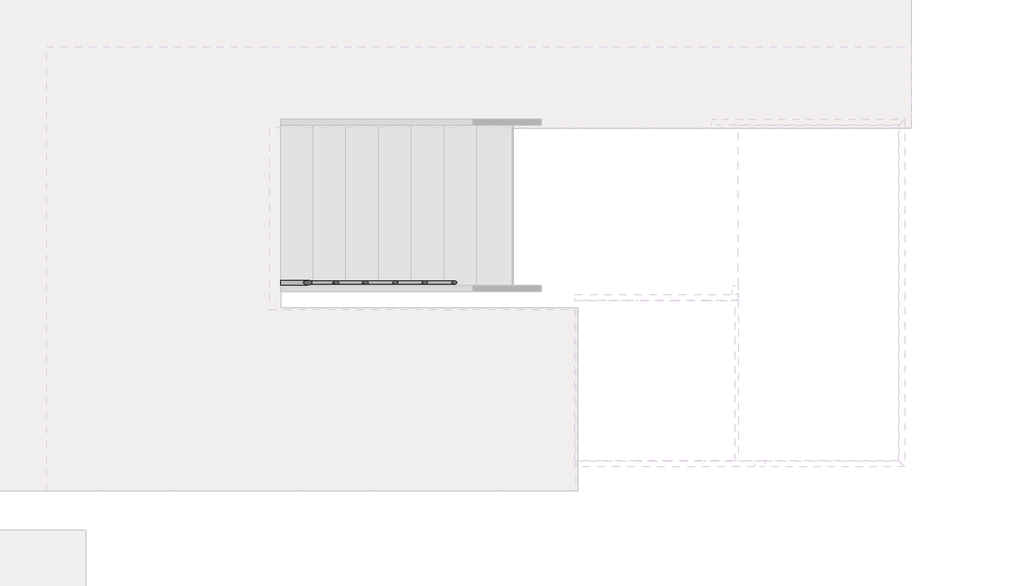
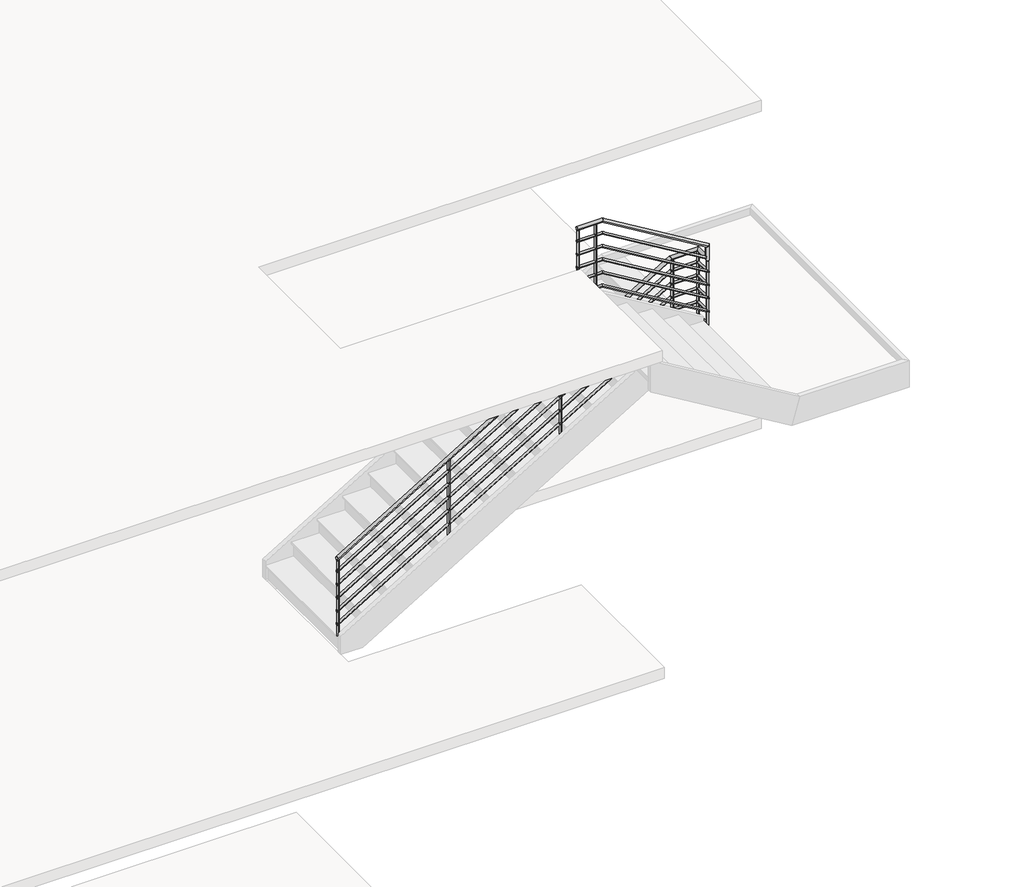
# One storey, part 34 of 38: 1 railing.
"""IFC4 building model written with IfcOpenShell, lengths in millimetres."""

import ifcopenshell
import ifcopenshell.guid

model = None  # the IFC model being written
_history = None  # IfcOwnerHistory: only IFC2X3 demands one
_inside = {}  # id of a spatial element -> (the spatial element, [elements in it])
_under = {}  # id of a project, library or spatial element -> (it, [spatial elements below it])
_declared = {}  # id of a project -> (the project, [libraries it declares])
_typed = {}  # id of a type object -> (the type object, [elements of that type])
_made_of = {}  # id of a material, layer set ... -> (it, [elements and type objects made of it])


def new_model(schema):
    """Start an empty IFC model of exactly this schema.

    Asked for "IFC4X3", IfcOpenShell would pick the latest addendum, in which some entities
    have other attributes; the version numbers below select the first issue.
    IFC2X3 requires an IfcOwnerHistory on every rooted entity: one is made here for all.
    """
    global model, _history
    if schema == "IFC4X3":
        model = ifcopenshell.file(schema_version=(4, 3, 0, 0))
    else:
        model = ifcopenshell.file(schema=schema)
    _inside.clear()
    _under.clear()
    _declared.clear()
    _typed.clear()
    _made_of.clear()
    _history = None
    if model.schema == "IFC2X3":
        org = make("IfcOrganization", Name="unknown")
        user = make(
            "IfcPersonAndOrganization",
            ThePerson=make("IfcPerson", FamilyName="unknown"),
            TheOrganization=org,
        )
        app = make(
            "IfcApplication",
            ApplicationDeveloper=org,
            Version="unknown",
            ApplicationFullName="unknown",
            ApplicationIdentifier="unknown",
        )
        _history = make(
            "IfcOwnerHistory",
            OwningUser=user,
            OwningApplication=app,
            ChangeAction="ADDED",
            CreationDate=0,
        )
    return model


def make(cls, **values):
    """One entity of the class cls with the attributes given. An attribute that is None is left unset."""
    return model.create_entity(
        cls, **{name: value for name, value in values.items() if value is not None}
    )


def rooted(cls, **values):
    """An entity with a GlobalId (a new one), such as an element, a storey or a relation."""
    return make(cls, GlobalId=ifcopenshell.guid.new(), OwnerHistory=_history, **values)


def si_unit(unit_type, name, prefix=None):
    """IfcSIUnit, for example si_unit("LENGTHUNIT", "METRE", prefix="MILLI")."""
    return make("IfcSIUnit", UnitType=unit_type, Prefix=prefix, Name=name)


def assignment(units):
    """IfcUnitAssignment: the units of a project."""
    return None if units is None else make("IfcUnitAssignment", Units=units)


def point(xyz):
    """IfcCartesianPoint."""
    return None if xyz is None else make("IfcCartesianPoint", Coordinates=xyz)


def direction(xyz):
    """IfcDirection."""
    return None if xyz is None else make("IfcDirection", DirectionRatios=xyz)


def frame(location, z_axis=None, x_axis=None):
    """IfcAxis2Placement3D, a coordinate frame: its origin and axes. An axis left out is left unset."""
    return make(
        "IfcAxis2Placement3D",
        Location=point(location),
        Axis=direction(z_axis),
        RefDirection=direction(x_axis),
    )


def frame_2d(location, x_axis=None):
    """IfcAxis2Placement2D, a coordinate frame in the plane: its origin and x axis."""
    return make(
        "IfcAxis2Placement2D", Location=point(location), RefDirection=direction(x_axis)
    )


def origin():
    """The frame at (0, 0, 0) with its axes left unset."""
    return frame((0.0, 0.0, 0.0))


def place(relative_to, where):
    """IfcLocalPlacement: puts the frame where relative to a parent placement (None: the world)."""
    return make(
        "IfcLocalPlacement", PlacementRelTo=relative_to, RelativePlacement=where
    )


def context(
    kind, dimensions, precision=None, world=None, true_north=None, identifier=None
):
    """IfcGeometricRepresentationContext, for example the 3D "Model" context."""
    return make(
        "IfcGeometricRepresentationContext",
        ContextIdentifier=identifier,
        ContextType=kind,
        CoordinateSpaceDimension=dimensions,
        Precision=precision,
        WorldCoordinateSystem=world,
        TrueNorth=true_north,
    )


def project(units=None, contexts=None):
    """IfcProject with its units and contexts."""
    return rooted(
        "IfcProject",
        Name="project",
        RepresentationContexts=contexts,
        UnitsInContext=assignment(units),
    )


def spatial(cls, under=None, at=None, **own):
    """A site, building, storey or space (cls), placed at a placement, below another one or the project."""
    s = rooted(cls, ObjectPlacement=at, **own)
    if under is not None:
        _under.setdefault(under.id(), (under, []))[1].append(s)
    return s


def circle_curve(where, radius):
    """IfcCircle in the frame where."""
    return make("IfcCircle", Position=where, Radius=radius)


def ellipse_curve(where, semi_axis1, semi_axis2):
    """IfcEllipse in the frame where."""
    return make(
        "IfcEllipse", Position=where, SemiAxis1=semi_axis1, SemiAxis2=semi_axis2
    )


def trimmed(basis, trim1, trim2, sense, master):
    """IfcTrimmedCurve: the piece of a basis curve between two trims."""
    return make(
        "IfcTrimmedCurve",
        BasisCurve=basis,
        Trim1=trim1,
        Trim2=trim2,
        SenseAgreement=sense,
        MasterRepresentation=master,
    )


def segment(curve, same_sense, transition):
    """IfcCompositeCurveSegment."""
    return make(
        "IfcCompositeCurveSegment",
        Transition=transition,
        SameSense=same_sense,
        ParentCurve=curve,
    )


def composite_curve(segments, self_intersect=None):
    """IfcCompositeCurve: segments joined end to end."""
    return make("IfcCompositeCurve", Segments=segments, SelfIntersect=self_intersect)


def outline(outer, holes=None, kind="AREA"):
    """IfcArbitraryClosedProfileDef: a profile drawn as a closed curve; with holes, ...WithVoids."""
    if holes is None:
        return make("IfcArbitraryClosedProfileDef", ProfileType=kind, OuterCurve=outer)
    return make(
        "IfcArbitraryProfileDefWithVoids",
        ProfileType=kind,
        OuterCurve=outer,
        InnerCurves=holes,
    )


def extrude(swept, where, along, depth):
    """IfcExtrudedAreaSolid: the profile swept, set in the frame where, extruded along a direction by depth."""
    return make(
        "IfcExtrudedAreaSolid",
        SweptArea=swept,
        Position=where,
        ExtrudedDirection=direction(along),
        Depth=depth,
    )


def shape(context_of_items, identifier, shape_type, items):
    """IfcShapeRepresentation: the items that make up one representation, for example the "Body"."""
    return make(
        "IfcShapeRepresentation",
        ContextOfItems=context_of_items,
        RepresentationIdentifier=identifier,
        RepresentationType=shape_type,
        Items=items,
    )


def made_of(thing, what):
    """Note that an element or type object is made of a material, layer set ...; save() writes the relation."""
    if what is not None:
        _made_of.setdefault(what.id(), (what, []))[1].append(thing)
    return thing


def element(
    cls,
    number,
    at=None,
    inside=None,
    cuts=None,
    type_object=None,
    material=None,
    context=None,
    identifier="Body",
    shape_type=None,
    held_by="IfcProductDefinitionShape",
    body=None,
    shapes=None,
    **own,
):
    """One element of the class cls, such as IfcWall. Its Tag is "e" and its number.

    at: its placement. inside: the storey or other place that contains it. cuts: it is an
    opening in that element (IfcRelVoidsElement). A single representation is given by context,
    identifier, shape_type and body (its items); several are given by shapes. held_by: the class
    of the entity that holds the representations. save() writes the other relations.
    """
    e = rooted(cls, Tag="e%d" % number, ObjectPlacement=at, **own)
    if body is not None:
        shapes = [shape(context, identifier, shape_type, body)]
    if shapes is not None:
        e.Representation = make(held_by, Representations=shapes)
    if inside is not None:
        _inside.setdefault(inside.id(), (inside, []))[1].append(e)
    if cuts is not None:
        rooted(
            "IfcRelVoidsElement", RelatingBuildingElement=cuts, RelatedOpeningElement=e
        )
    if type_object is not None:
        _typed.setdefault(type_object.id(), (type_object, []))[1].append(e)
    return made_of(e, material)


def aggregate(whole, parts):
    """IfcRelAggregates: a whole, such as a stair, and the parts it consists of."""
    return rooted("IfcRelAggregates", RelatingObject=whole, RelatedObjects=parts)


def save(model, path):
    """Write the relations noted so far, then the file.

    IfcRelAggregates (storeys below a building ...), IfcRelContainedInSpatialStructure (elements
    in a storey), IfcRelDefinesByType, IfcRelAssociatesMaterial and IfcRelDeclares: one each for
    every whole, place, type object, material and project.
    """
    for whole, parts in _under.values():
        aggregate(whole, parts)
    for where, things in _inside.values():
        rooted(
            "IfcRelContainedInSpatialStructure",
            RelatedElements=things,
            RelatingStructure=where,
        )
    for kind, things in _typed.values():
        rooted("IfcRelDefinesByType", RelatedObjects=things, RelatingType=kind)
    for what, things in _made_of.values():
        rooted("IfcRelAssociatesMaterial", RelatedObjects=things, RelatingMaterial=what)
    for by, libraries in _declared.values():
        rooted("IfcRelDeclares", RelatingContext=by, RelatedDefinitions=libraries)
    model.write(path)


def plane_surface(at):
    """IfcPlane: the flat surface through the origin of the frame at, square to its z axis."""
    return make("IfcPlane", Position=at)


def cylinder_surface(at, radius):
    """IfcCylindricalSurface: all points at the distance radius from the z axis of the frame at."""
    return make("IfcCylindricalSurface", Position=at, Radius=radius)


def advanced_brep(points, edges, surfaces, faces):
    """IfcAdvancedBrep: a solid bounded by faces that lie on surfaces and meet in shared edges.

    An edge is (start, end): straight between two places in points (the first is 0);
    or (start, end, curve); or (start, end, curve, False) where it runs against its curve.
    A face is (place in surfaces, loops), or (place, loops, False) where it looks against
    its surface's normal. A loop lists edges by number (the first is 1), with a minus sign
    where the edge is run from its end to its start. The first loop is the outer one.
    """
    corners = [point(p) for p in points]
    vertices = [make("IfcVertexPoint", VertexGeometry=c) for c in corners]
    made = []
    for start, end, *more in edges:
        made.append(
            make(
                "IfcEdgeCurve",
                EdgeStart=vertices[start],
                EdgeEnd=vertices[end],
                EdgeGeometry=more[0] if more else make("IfcPolyline", Points=[corners[start], corners[end]]),
                SameSense=more[1] if len(more) > 1 else True,
            )
        )
    hull = []
    for where, loops, *sense in faces:
        bounds = []
        for j, loop in enumerate(loops):
            ring = [make("IfcOrientedEdge", EdgeElement=made[abs(k) - 1], Orientation=k > 0) for k in loop]
            bounds.append(
                make(
                    "IfcFaceOuterBound" if j == 0 else "IfcFaceBound",
                    Bound=make("IfcEdgeLoop", EdgeList=ring),
                    Orientation=True,
                )
            )
        hull.append(make("IfcAdvancedFace", Bounds=bounds, FaceSurface=surfaces[where], SameSense=sense[0] if sense else True))
    return make("IfcAdvancedBrep", Outer=make("IfcClosedShell", CfsFaces=hull))


model = new_model("IFC4")

# Units and contexts
model_context = context("Model", 3, world=origin())
ifc_project = project(units=[si_unit("LENGTHUNIT", "METRE", prefix="MILLI")], contexts=[model_context])

# Site, building, storey
site = spatial("IfcSite", under=ifc_project)
building = spatial("IfcBuilding", under=site)
storey = spatial("IfcBuildingStorey", under=building, Elevation=0.0)

# Railing
placement = place(None, origin())
element("IfcRailing", 1, ObjectType="Handrail - Pipe", at=placement, inside=storey, context=model_context, shape_type="SolidModel", body=[
    advanced_brep(
    [(-323615.1918555, 138248.0850981, 1060.5979919), (-323615.1918555, 138286.1850981, 1060.5979919), (-319977.6936833, 138248.0850981, 3253.5394737), (-319977.6936833, 138286.1850981, 3253.5394737), (-319697.2418555, 138248.0850981, 3253.5394737), (-319659.1418555, 138286.1850981, 3253.5394737), (-319697.2418555, 138089.3350981, 3253.5394737), (-319659.1418555, 138089.3350981, 3253.5394737)],
    [
        (0, 1, ellipse_curve(frame((-323615.1918555, 138267.1350981, 1060.5979919), z_axis=(-1.0, 0.0, 0.0), x_axis=(0.0, 0.0, -1.0)), 22.2441134, 19.05)),
        (1, 0, ellipse_curve(frame((-323615.1918555, 138267.1350981, 1060.5979919), z_axis=(-1.0, 0.0, 0.0), x_axis=(0.0, 0.0, -1.0)), 22.2441134, 19.05)),
        (0, 2),
        (2, 3, ellipse_curve(frame((-319977.6936833, 138267.1350981, 3253.5394737), z_axis=(-0.963433015631658, 0.0, -0.267949294439992), x_axis=(0.267949294439992, 0.0, -0.963433015631658)), 19.7730405, 19.05)),
        (3, 1),
        (3, 2, ellipse_curve(frame((-319977.6936833, 138267.1350981, 3253.5394737), z_axis=(-0.963433015631658, 0.0, -0.267949294439992), x_axis=(0.267949294439992, 0.0, -0.963433015631658)), 19.7730405, 19.05)),
        (2, 4),
        (4, 5, ellipse_curve(frame((-319678.1918555, 138267.1350981, 3253.5394737), z_axis=(-0.7071067811867404, 0.7071067811863545, 0.0), x_axis=(-0.7071067811863547, -0.7071067811867404, 0.0)), 26.9407684, 19.05)),
        (5, 3),
        (5, 4, ellipse_curve(frame((-319678.1918555, 138267.1350981, 3253.5394737), z_axis=(-0.7071067811867404, 0.7071067811863545, 0.0), x_axis=(-0.7071067811863547, -0.7071067811867404, 0.0)), 26.9407684, 19.05)),
        (6, 7, ellipse_curve(frame((-319678.1918555, 138089.3350981, 3253.5394737), z_axis=(0.0, -0.7071067811865476, 0.7071067811865476), x_axis=(0.0, 0.7071067811865474, 0.7071067811865476)), 26.9407684, 19.05)),
        (7, 6, ellipse_curve(frame((-319678.1918555, 138089.3350981, 3253.5394737), z_axis=(0.0, -0.7071067811865476, 0.7071067811865476), x_axis=(0.0, 0.7071067811865474, 0.7071067811865476)), 26.9407684, 19.05)),
        (4, 6),
        (7, 5),
    ],
    [
        plane_surface(frame((-323615.1918555, 138267.1350981, 1082.8421053), z_axis=(-1.0, 0.0, 0.0), x_axis=(0.0, 1.0, 0.0))),
        cylinder_surface(frame((-323605.3562949, 138267.1350981, 1066.5275643), z_axis=(-0.856406351218221, 0.0, -0.516302393557393), x_axis=(0.0, 1.0, 0.0)), 19.05),
        cylinder_surface(frame((-319982.9918555, 138267.1350981, 3253.5394737), z_axis=(-1.0, 0.0, 0.0), x_axis=(0.0, 1.0, 0.0)), 19.05),
        plane_surface(frame((-319678.1918555, 138108.3850981, 3272.5894737), z_axis=(0.0, -0.7071067811865476, 0.7071067811865476), x_axis=(1.0, 0.0, 0.0))),
        cylinder_surface(frame((-319678.1918555, 138267.1350981, 3253.5394737), z_axis=(0.0, 1.0, 0.0), x_axis=(1.0, 0.0, 0.0)), 19.05),
    ],
    [
        (0, [[1, 2]]),
        (1, [[-1, 3, 4, 5]]),
        (1, [[-2, -5, 6, -3]]),
        (2, [[-4, 7, 8, 9]]),
        (2, [[-6, -9, 10, -7]]),
        (3, [[11, 12]]),
        (4, [[-8, 13, -12, 14]]),
        (4, [[-10, -14, -11, -13]]),
    ],
),
    advanced_brep(
    [(-319697.2418555, 138089.3350981, 3253.5394737), (-319659.1418555, 138089.3350981, 3253.5394737), (-319697.2418555, 138089.3350981, 3392.7151225), (-319659.1418555, 138089.3350981, 3414.2339713)],
    [
        (0, 1, ellipse_curve(frame((-319678.1918555, 138089.3350981, 3253.5394737), z_axis=(0.0, 0.7071067811865476, -0.7071067811865476), x_axis=(0.0, -0.7071067811865476, -0.7071067811865474)), 26.9407684, 19.05)),
        (1, 0, ellipse_curve(frame((-319678.1918555, 138089.3350981, 3253.5394737), z_axis=(0.0, 0.7071067811865476, -0.7071067811865476), x_axis=(0.0, -0.7071067811865476, -0.7071067811865474)), 26.9407684, 19.05)),
        (2, 3, ellipse_curve(frame((-319678.1918555, 138089.3350981, 3403.4745469), z_axis=(-0.491781255459484, 0.0, 0.870718781684818), x_axis=(-0.8707187816848179, 0.0, -0.4917812554594841)), 21.878476, 19.05)),
        (3, 2, ellipse_curve(frame((-319678.1918555, 138089.3350981, 3403.4745469), z_axis=(-0.491781255459484, 0.0, 0.870718781684818), x_axis=(-0.8707187816848179, 0.0, -0.4917812554594841)), 21.878476, 19.05)),
        (0, 2),
        (3, 1),
    ],
    [
        plane_surface(frame((-319678.1918555, 138089.3350981, 3253.5394737), z_axis=(0.0, 0.7071067811865476, -0.7071067811865476), x_axis=(1.0, 0.0, 0.0))),
        plane_surface(frame((-319678.1918555, 138089.3350981, 3403.4745469), z_axis=(-0.491781255459484, 0.0, 0.870718781684818), x_axis=(0.870718781684818, 0.0, 0.491781255459484))),
        cylinder_surface(frame((-319678.1918555, 138089.3350981, 3253.5394737), z_axis=(0.0, 0.0, -1.0), x_axis=(1.0, 0.0, 0.0)), 19.05),
    ],
    [
        (0, [[1, 2]]),
        (1, [[3, 4]]),
        (2, [[-1, 5, -4, 6]]),
        (2, [[-2, -6, -3, -5]]),
    ],
),
    advanced_brep(
    [(-319678.1918555, 138108.3850981, 3403.4745469), (-319678.1918555, 138070.2850981, 3403.4745469), (-320826.4900278, 138108.3850981, 4095.75), (-320826.4900278, 138070.2850981, 4095.75), (-321100.5918555, 138108.3850981, 4095.75), (-321100.5918555, 138070.2850981, 4095.75)],
    [
        (0, 1, ellipse_curve(frame((-319678.1918555, 138089.3350981, 3403.4745469), z_axis=(0.491781255459484, 0.0, -0.870718781684818), x_axis=(0.8707187816848181, 0.0, 0.49178125545948387)), 21.878476, 19.05)),
        (1, 0, ellipse_curve(frame((-319678.1918555, 138089.3350981, 3403.4745469), z_axis=(0.491781255459484, 0.0, -0.870718781684818), x_axis=(0.8707187816848181, 0.0, 0.49178125545948387)), 21.878476, 19.05)),
        (0, 2),
        (2, 3, ellipse_curve(frame((-320826.4900278, 138089.3350981, 4095.75), z_axis=(0.963433015631659, 0.0, -0.2679492944399889), x_axis=(-0.2679492944399897, 0.0, -0.9634330156316586)), 19.7730405, 19.05)),
        (3, 1),
        (3, 2, ellipse_curve(frame((-320826.4900278, 138089.3350981, 4095.75), z_axis=(0.963433015631659, 0.0, -0.2679492944399889), x_axis=(-0.2679492944399897, 0.0, -0.9634330156316586)), 19.7730405, 19.05)),
        (4, 5, circle_curve(frame((-321100.5918555, 138089.3350981, 4095.75), z_axis=(-1.0, 0.0, 0.0), x_axis=(0.0, -1.0, 0.0)), 19.05)),
        (5, 4, circle_curve(frame((-321100.5918555, 138089.3350981, 4095.75), z_axis=(-1.0, 0.0, 0.0), x_axis=(0.0, -1.0, 0.0)), 19.05)),
        (2, 4),
        (5, 3),
    ],
    [
        plane_surface(frame((-319659.1418555, 138089.3350981, 3414.2339713), z_axis=(0.491781255459484, 0.0, -0.870718781684818), x_axis=(0.870718781684818, 0.0, 0.491781255459484))),
        cylinder_surface(frame((-319668.9774161, 138089.3350981, 3397.9194303), z_axis=(0.8564063512182244, 0.0, -0.5163023935573875), x_axis=(0.0, -1.0, 0.0)), 19.05),
        plane_surface(frame((-321100.5918555, 138089.3350981, 4114.8), z_axis=(-1.0, 0.0, 0.0), x_axis=(0.0, -1.0, 0.0))),
        cylinder_surface(frame((-320821.1918555, 138089.3350981, 4095.75), z_axis=(1.0, 0.0, 0.0), x_axis=(0.0, -1.0, 0.0)), 19.05),
    ],
    [
        (0, [[1, 2]]),
        (1, [[-1, 3, 4, 5]]),
        (1, [[-2, -5, 6, -3]]),
        (2, [[7, 8]]),
        (3, [[-4, 9, -8, 10]]),
        (3, [[-6, -10, -7, -9]]),
    ],
),
    advanced_brep(
    [(-323615.1918555, 138279.8350981, 915.6126963), (-323615.1918555, 138254.4350981, 915.6126963), (-319979.4597407, 138279.8350981, 3107.4894737), (-319979.4597407, 138254.4350981, 3107.4894737), (-319690.8918555, 138279.8350981, 3107.4894737), (-319690.8918555, 138254.4350981, 3107.4894737)],
    [
        (0, 1, ellipse_curve(frame((-323615.1918555, 138267.1350981, 915.6126963), z_axis=(-1.0, 0.0, 0.0), x_axis=(0.0, 0.0, -1.0)), 14.8294089, 12.7)),
        (1, 0, ellipse_curve(frame((-323615.1918555, 138267.1350981, 915.6126963), z_axis=(-1.0, 0.0, 0.0), x_axis=(0.0, 0.0, -1.0)), 14.8294089, 12.7)),
        (0, 2),
        (2, 3, ellipse_curve(frame((-319979.4597407, 138267.1350981, 3107.4894737), z_axis=(-0.963433015631658, 0.0, -0.267949294439992), x_axis=(0.267949294439992, 0.0, -0.963433015631658)), 13.182027, 12.7)),
        (3, 1),
        (3, 2, ellipse_curve(frame((-319979.4597407, 138267.1350981, 3107.4894737), z_axis=(-0.963433015631658, 0.0, -0.267949294439992), x_axis=(0.267949294439992, 0.0, -0.963433015631658)), 13.182027, 12.7)),
        (4, 5, circle_curve(frame((-319690.8918555, 138267.1350981, 3107.4894737), z_axis=(1.0, 0.0, 0.0), x_axis=(0.0, -1.0, 0.0)), 12.7)),
        (5, 4, circle_curve(frame((-319690.8918555, 138267.1350981, 3107.4894737), z_axis=(1.0, 0.0, 0.0), x_axis=(0.0, -1.0, 0.0)), 12.7)),
        (2, 4),
        (5, 3),
    ],
    [
        plane_surface(frame((-323615.1918555, 138267.1350981, 930.4421053), z_axis=(-1.0, 0.0, 0.0), x_axis=(0.0, 1.0, 0.0))),
        cylinder_surface(frame((-323608.6348151, 138267.1350981, 919.5657446), z_axis=(-0.856406351218221, 0.0, -0.516302393557393), x_axis=(0.0, -1.0, 0.0)), 12.7),
        plane_surface(frame((-319690.8918555, 138267.1350981, 3120.1894737), z_axis=(1.0, 0.0, 0.0), x_axis=(0.0, 1.0, 0.0))),
        cylinder_surface(frame((-319982.9918555, 138267.1350981, 3107.4894737), z_axis=(-1.0, 0.0, 0.0), x_axis=(0.0, -1.0, 0.0)), 12.7),
    ],
    [
        (0, [[1, 2]]),
        (1, [[-1, 3, 4, 5]]),
        (1, [[-2, -5, 6, -3]]),
        (2, [[7, 8]]),
        (3, [[-4, 9, -8, 10]]),
        (3, [[-6, -10, -7, -9]]),
    ],
),
    advanced_brep(
    [(-323615.1918555, 138279.8350981, 763.2126963), (-323615.1918555, 138254.4350981, 763.2126963), (-319979.4597407, 138279.8350981, 2955.0894737), (-319979.4597407, 138254.4350981, 2955.0894737), (-319690.8918555, 138279.8350981, 2955.0894737), (-319690.8918555, 138254.4350981, 2955.0894737)],
    [
        (0, 1, ellipse_curve(frame((-323615.1918555, 138267.1350981, 763.2126963), z_axis=(-1.0, 0.0, 0.0), x_axis=(0.0, 0.0, -1.0)), 14.8294089, 12.7)),
        (1, 0, ellipse_curve(frame((-323615.1918555, 138267.1350981, 763.2126963), z_axis=(-1.0, 0.0, 0.0), x_axis=(0.0, 0.0, -1.0)), 14.8294089, 12.7)),
        (0, 2),
        (2, 3, ellipse_curve(frame((-319979.4597407, 138267.1350981, 2955.0894737), z_axis=(-0.963433015631658, 0.0, -0.267949294439992), x_axis=(0.267949294439992, 0.0, -0.963433015631658)), 13.182027, 12.7)),
        (3, 1),
        (3, 2, ellipse_curve(frame((-319979.4597407, 138267.1350981, 2955.0894737), z_axis=(-0.963433015631658, 0.0, -0.267949294439992), x_axis=(0.267949294439992, 0.0, -0.963433015631658)), 13.182027, 12.7)),
        (4, 5, circle_curve(frame((-319690.8918555, 138267.1350981, 2955.0894737), z_axis=(1.0, 0.0, 0.0), x_axis=(0.0, -1.0, 0.0)), 12.7)),
        (5, 4, circle_curve(frame((-319690.8918555, 138267.1350981, 2955.0894737), z_axis=(1.0, 0.0, 0.0), x_axis=(0.0, -1.0, 0.0)), 12.7)),
        (2, 4),
        (5, 3),
    ],
    [
        plane_surface(frame((-323615.1918555, 138267.1350981, 778.0421053), z_axis=(-1.0, 0.0, 0.0), x_axis=(0.0, 1.0, 0.0))),
        cylinder_surface(frame((-323608.6348151, 138267.1350981, 767.1657446), z_axis=(-0.856406351218221, 0.0, -0.516302393557393), x_axis=(0.0, -1.0, 0.0)), 12.7),
        plane_surface(frame((-319690.8918555, 138267.1350981, 2967.7894737), z_axis=(1.0, 0.0, 0.0), x_axis=(0.0, 1.0, 0.0))),
        cylinder_surface(frame((-319982.9918555, 138267.1350981, 2955.0894737), z_axis=(-1.0, 0.0, 0.0), x_axis=(0.0, -1.0, 0.0)), 12.7),
    ],
    [
        (0, [[1, 2]]),
        (1, [[-1, 3, 4, 5]]),
        (1, [[-2, -5, 6, -3]]),
        (2, [[7, 8]]),
        (3, [[-4, 9, -8, 10]]),
        (3, [[-6, -10, -7, -9]]),
    ],
),
    advanced_brep(
    [(-323615.1918555, 138279.8350981, 610.8126963), (-323615.1918555, 138254.4350981, 610.8126963), (-319979.4597407, 138279.8350981, 2802.6894737), (-319979.4597407, 138254.4350981, 2802.6894737), (-319690.8918555, 138279.8350981, 2802.6894737), (-319690.8918555, 138254.4350981, 2802.6894737)],
    [
        (0, 1, ellipse_curve(frame((-323615.1918555, 138267.1350981, 610.8126963), z_axis=(-1.0, 0.0, 0.0), x_axis=(0.0, 0.0, -1.0)), 14.8294089, 12.7)),
        (1, 0, ellipse_curve(frame((-323615.1918555, 138267.1350981, 610.8126963), z_axis=(-1.0, 0.0, 0.0), x_axis=(0.0, 0.0, -1.0)), 14.8294089, 12.7)),
        (0, 2),
        (2, 3, ellipse_curve(frame((-319979.4597407, 138267.1350981, 2802.6894737), z_axis=(-0.963433015631658, 0.0, -0.267949294439992), x_axis=(0.267949294439992, 0.0, -0.963433015631658)), 13.182027, 12.7)),
        (3, 1),
        (3, 2, ellipse_curve(frame((-319979.4597407, 138267.1350981, 2802.6894737), z_axis=(-0.963433015631658, 0.0, -0.267949294439992), x_axis=(0.267949294439992, 0.0, -0.963433015631658)), 13.182027, 12.7)),
        (4, 5, circle_curve(frame((-319690.8918555, 138267.1350981, 2802.6894737), z_axis=(1.0, 0.0, 0.0), x_axis=(0.0, -1.0, 0.0)), 12.7)),
        (5, 4, circle_curve(frame((-319690.8918555, 138267.1350981, 2802.6894737), z_axis=(1.0, 0.0, 0.0), x_axis=(0.0, -1.0, 0.0)), 12.7)),
        (2, 4),
        (5, 3),
    ],
    [
        plane_surface(frame((-323615.1918555, 138267.1350981, 625.6421053), z_axis=(-1.0, 0.0, 0.0), x_axis=(0.0, 1.0, 0.0))),
        cylinder_surface(frame((-323608.6348151, 138267.1350981, 614.7657446), z_axis=(-0.856406351218221, 0.0, -0.516302393557393), x_axis=(0.0, -1.0, 0.0)), 12.7),
        plane_surface(frame((-319690.8918555, 138267.1350981, 2815.3894737), z_axis=(1.0, 0.0, 0.0), x_axis=(0.0, 1.0, 0.0))),
        cylinder_surface(frame((-319982.9918555, 138267.1350981, 2802.6894737), z_axis=(-1.0, 0.0, 0.0), x_axis=(0.0, -1.0, 0.0)), 12.7),
    ],
    [
        (0, [[1, 2]]),
        (1, [[-1, 3, 4, 5]]),
        (1, [[-2, -5, 6, -3]]),
        (2, [[7, 8]]),
        (3, [[-4, 9, -8, 10]]),
        (3, [[-6, -10, -7, -9]]),
    ],
),
    advanced_brep(
    [(-323615.1918555, 138279.8350981, 458.4126963), (-323615.1918555, 138254.4350981, 458.4126963), (-319979.4597407, 138279.8350981, 2650.2894737), (-319979.4597407, 138254.4350981, 2650.2894737), (-319690.8918555, 138279.8350981, 2650.2894737), (-319690.8918555, 138254.4350981, 2650.2894737)],
    [
        (0, 1, ellipse_curve(frame((-323615.1918555, 138267.1350981, 458.4126963), z_axis=(-1.0, 0.0, 0.0), x_axis=(0.0, 0.0, -1.0)), 14.8294089, 12.7)),
        (1, 0, ellipse_curve(frame((-323615.1918555, 138267.1350981, 458.4126963), z_axis=(-1.0, 0.0, 0.0), x_axis=(0.0, 0.0, -1.0)), 14.8294089, 12.7)),
        (0, 2),
        (2, 3, ellipse_curve(frame((-319979.4597407, 138267.1350981, 2650.2894737), z_axis=(-0.963433015631658, 0.0, -0.267949294439992), x_axis=(0.267949294439992, 0.0, -0.963433015631658)), 13.182027, 12.7)),
        (3, 1),
        (3, 2, ellipse_curve(frame((-319979.4597407, 138267.1350981, 2650.2894737), z_axis=(-0.963433015631658, 0.0, -0.267949294439992), x_axis=(0.267949294439992, 0.0, -0.963433015631658)), 13.182027, 12.7)),
        (4, 5, circle_curve(frame((-319690.8918555, 138267.1350981, 2650.2894737), z_axis=(1.0, 0.0, 0.0), x_axis=(0.0, -1.0, 0.0)), 12.7)),
        (5, 4, circle_curve(frame((-319690.8918555, 138267.1350981, 2650.2894737), z_axis=(1.0, 0.0, 0.0), x_axis=(0.0, -1.0, 0.0)), 12.7)),
        (2, 4),
        (5, 3),
    ],
    [
        plane_surface(frame((-323615.1918555, 138267.1350981, 473.2421053), z_axis=(-1.0, 0.0, 0.0), x_axis=(0.0, 1.0, 0.0))),
        cylinder_surface(frame((-323608.6348151, 138267.1350981, 462.3657446), z_axis=(-0.856406351218221, 0.0, -0.516302393557393), x_axis=(0.0, -1.0, 0.0)), 12.7),
        plane_surface(frame((-319690.8918555, 138267.1350981, 2662.9894737), z_axis=(1.0, 0.0, 0.0), x_axis=(0.0, 1.0, 0.0))),
        cylinder_surface(frame((-319982.9918555, 138267.1350981, 2650.2894737), z_axis=(-1.0, 0.0, 0.0), x_axis=(0.0, -1.0, 0.0)), 12.7),
    ],
    [
        (0, [[1, 2]]),
        (1, [[-1, 3, 4, 5]]),
        (1, [[-2, -5, 6, -3]]),
        (2, [[7, 8]]),
        (3, [[-4, 9, -8, 10]]),
        (3, [[-6, -10, -7, -9]]),
    ],
),
    advanced_brep(
    [(-323615.1918555, 138279.8350981, 306.0126963), (-323615.1918555, 138254.4350981, 306.0126963), (-319979.4597407, 138279.8350981, 2497.8894737), (-319979.4597407, 138254.4350981, 2497.8894737), (-319690.8918555, 138279.8350981, 2497.8894737), (-319690.8918555, 138254.4350981, 2497.8894737)],
    [
        (0, 1, ellipse_curve(frame((-323615.1918555, 138267.1350981, 306.0126963), z_axis=(-1.0, 0.0, 0.0), x_axis=(0.0, 0.0, -1.0)), 14.8294089, 12.7)),
        (1, 0, ellipse_curve(frame((-323615.1918555, 138267.1350981, 306.0126963), z_axis=(-1.0, 0.0, 0.0), x_axis=(0.0, 0.0, -1.0)), 14.8294089, 12.7)),
        (0, 2),
        (2, 3, ellipse_curve(frame((-319979.4597407, 138267.1350981, 2497.8894737), z_axis=(-0.963433015631658, 0.0, -0.267949294439992), x_axis=(0.267949294439992, 0.0, -0.963433015631658)), 13.182027, 12.7)),
        (3, 1),
        (3, 2, ellipse_curve(frame((-319979.4597407, 138267.1350981, 2497.8894737), z_axis=(-0.963433015631658, 0.0, -0.267949294439992), x_axis=(0.267949294439992, 0.0, -0.963433015631658)), 13.182027, 12.7)),
        (4, 5, circle_curve(frame((-319690.8918555, 138267.1350981, 2497.8894737), z_axis=(1.0, 0.0, 0.0), x_axis=(0.0, -1.0, 0.0)), 12.7)),
        (5, 4, circle_curve(frame((-319690.8918555, 138267.1350981, 2497.8894737), z_axis=(1.0, 0.0, 0.0), x_axis=(0.0, -1.0, 0.0)), 12.7)),
        (2, 4),
        (5, 3),
    ],
    [
        plane_surface(frame((-323615.1918555, 138267.1350981, 320.8421053), z_axis=(-1.0, 0.0, 0.0), x_axis=(0.0, 1.0, 0.0))),
        cylinder_surface(frame((-323608.6348151, 138267.1350981, 309.9657446), z_axis=(-0.856406351218221, 0.0, -0.516302393557393), x_axis=(0.0, -1.0, 0.0)), 12.7),
        plane_surface(frame((-319690.8918555, 138267.1350981, 2510.5894737), z_axis=(1.0, 0.0, 0.0), x_axis=(0.0, 1.0, 0.0))),
        cylinder_surface(frame((-319982.9918555, 138267.1350981, 2497.8894737), z_axis=(-1.0, 0.0, 0.0), x_axis=(0.0, -1.0, 0.0)), 12.7),
    ],
    [
        (0, [[1, 2]]),
        (1, [[-1, 3, 4, 5]]),
        (1, [[-2, -5, 6, -3]]),
        (2, [[7, 8]]),
        (3, [[-4, 9, -8, 10]]),
        (3, [[-6, -10, -7, -9]]),
    ],
),
    advanced_brep(
    [(-319665.4918555, 138279.8350981, 3107.4894737), (-319690.8918555, 138279.8350981, 3107.4894737), (-319665.4918555, 138102.0350981, 3107.4894737), (-319690.8918555, 138102.0350981, 3107.4894737)],
    [
        (0, 1, circle_curve(frame((-319678.1918555, 138279.8350981, 3107.4894737), z_axis=(0.0, 1.0, 0.0), x_axis=(-1.0, 0.0, 0.0)), 12.7)),
        (1, 0, circle_curve(frame((-319678.1918555, 138279.8350981, 3107.4894737), z_axis=(0.0, 1.0, 0.0), x_axis=(-1.0, 0.0, 0.0)), 12.7)),
        (2, 3, circle_curve(frame((-319678.1918555, 138102.0350981, 3107.4894737), z_axis=(0.0, -1.0, 0.0), x_axis=(-1.0, 0.0, 0.0)), 12.7)),
        (3, 2, circle_curve(frame((-319678.1918555, 138102.0350981, 3107.4894737), z_axis=(0.0, -1.0, 0.0), x_axis=(-1.0, 0.0, 0.0)), 12.7)),
        (0, 2),
        (3, 1),
    ],
    [
        plane_surface(frame((-319678.1918555, 138279.8350981, 3120.1894737), z_axis=(0.0, 1.0, 0.0), x_axis=(0.0, 0.0, -1.0))),
        plane_surface(frame((-319678.1918555, 138102.0350981, 3120.1894737), z_axis=(0.0, -1.0, 0.0), x_axis=(0.0, 0.0, -1.0))),
        cylinder_surface(frame((-319678.1918555, 138279.8350981, 3107.4894737), z_axis=(0.0, 1.0, 0.0), x_axis=(-1.0, 0.0, 0.0)), 12.7),
    ],
    [
        (0, [[1, 2]]),
        (1, [[3, 4]]),
        (2, [[-1, 5, -4, 6]]),
        (2, [[-2, -6, -3, -5]]),
    ],
),
    advanced_brep(
    [(-319665.4918555, 138076.6350981, 3250.832792), (-319665.4918555, 138102.0350981, 3250.832792), (-320824.7239703, 138076.6350981, 3949.7), (-320824.7239703, 138102.0350981, 3949.7), (-321100.5918555, 138076.6350981, 3949.7), (-321100.5918555, 138102.0350981, 3949.7)],
    [
        (0, 1, ellipse_curve(frame((-319665.4918555, 138089.3350981, 3250.832792), z_axis=(1.0, 0.0, 0.0), x_axis=(0.0, 0.0, -1.0)), 14.8294089, 12.7)),
        (1, 0, ellipse_curve(frame((-319665.4918555, 138089.3350981, 3250.832792), z_axis=(1.0, 0.0, 0.0), x_axis=(0.0, 0.0, -1.0)), 14.8294089, 12.7)),
        (0, 2),
        (2, 3, ellipse_curve(frame((-320824.7239703, 138089.3350981, 3949.7), z_axis=(0.963433015631659, 0.0, -0.2679492944399889), x_axis=(-0.2679492944399897, 0.0, -0.9634330156316586)), 13.182027, 12.7)),
        (3, 1),
        (3, 2, ellipse_curve(frame((-320824.7239703, 138089.3350981, 3949.7), z_axis=(0.963433015631659, 0.0, -0.2679492944399889), x_axis=(-0.2679492944399897, 0.0, -0.9634330156316586)), 13.182027, 12.7)),
        (4, 5, circle_curve(frame((-321100.5918555, 138089.3350981, 3949.7), z_axis=(-1.0, 0.0, 0.0), x_axis=(0.0, 1.0, 0.0)), 12.7)),
        (5, 4, circle_curve(frame((-321100.5918555, 138089.3350981, 3949.7), z_axis=(-1.0, 0.0, 0.0), x_axis=(0.0, 1.0, 0.0)), 12.7)),
        (2, 4),
        (5, 3),
    ],
    [
        plane_surface(frame((-319665.4918555, 138089.3350981, 3265.662201), z_axis=(1.0, 0.0, 0.0), x_axis=(0.0, -1.0, 0.0))),
        cylinder_surface(frame((-319672.0488959, 138089.3350981, 3254.7858403), z_axis=(0.8564063512182244, 0.0, -0.5163023935573875), x_axis=(0.0, 1.0, 0.0)), 12.7),
        plane_surface(frame((-321100.5918555, 138089.3350981, 3962.4), z_axis=(-1.0, 0.0, 0.0), x_axis=(0.0, -1.0, 0.0))),
        cylinder_surface(frame((-320821.1918555, 138089.3350981, 3949.7), z_axis=(1.0, 0.0, 0.0), x_axis=(0.0, 1.0, 0.0)), 12.7),
    ],
    [
        (0, [[1, 2]]),
        (1, [[-1, 3, 4, 5]]),
        (1, [[-2, -5, 6, -3]]),
        (2, [[7, 8]]),
        (3, [[-4, 9, -8, 10]]),
        (3, [[-6, -10, -7, -9]]),
    ],
),
    advanced_brep(
    [(-319665.4918555, 138279.8350981, 2955.0894737), (-319690.8918555, 138279.8350981, 2955.0894737), (-319665.4918555, 138102.0350981, 2955.0894737), (-319690.8918555, 138102.0350981, 2955.0894737)],
    [
        (0, 1, circle_curve(frame((-319678.1918555, 138279.8350981, 2955.0894737), z_axis=(0.0, 1.0, 0.0), x_axis=(-1.0, 0.0, 0.0)), 12.7)),
        (1, 0, circle_curve(frame((-319678.1918555, 138279.8350981, 2955.0894737), z_axis=(0.0, 1.0, 0.0), x_axis=(-1.0, 0.0, 0.0)), 12.7)),
        (2, 3, circle_curve(frame((-319678.1918555, 138102.0350981, 2955.0894737), z_axis=(0.0, -1.0, 0.0), x_axis=(-1.0, 0.0, 0.0)), 12.7)),
        (3, 2, circle_curve(frame((-319678.1918555, 138102.0350981, 2955.0894737), z_axis=(0.0, -1.0, 0.0), x_axis=(-1.0, 0.0, 0.0)), 12.7)),
        (0, 2),
        (3, 1),
    ],
    [
        plane_surface(frame((-319678.1918555, 138279.8350981, 2967.7894737), z_axis=(0.0, 1.0, 0.0), x_axis=(0.0, 0.0, -1.0))),
        plane_surface(frame((-319678.1918555, 138102.0350981, 2967.7894737), z_axis=(0.0, -1.0, 0.0), x_axis=(0.0, 0.0, -1.0))),
        cylinder_surface(frame((-319678.1918555, 138279.8350981, 2955.0894737), z_axis=(0.0, 1.0, 0.0), x_axis=(-1.0, 0.0, 0.0)), 12.7),
    ],
    [
        (0, [[1, 2]]),
        (1, [[3, 4]]),
        (2, [[-1, 5, -4, 6]]),
        (2, [[-2, -6, -3, -5]]),
    ],
),
    advanced_brep(
    [(-319665.4918555, 138076.6350981, 3098.432792), (-319665.4918555, 138102.0350981, 3098.432792), (-320824.7239703, 138076.6350981, 3797.3), (-320824.7239703, 138102.0350981, 3797.3), (-321100.5918555, 138076.6350981, 3797.3), (-321100.5918555, 138102.0350981, 3797.3)],
    [
        (0, 1, ellipse_curve(frame((-319665.4918555, 138089.3350981, 3098.432792), z_axis=(1.0, 0.0, 0.0), x_axis=(0.0, 0.0, -1.0)), 14.8294089, 12.7)),
        (1, 0, ellipse_curve(frame((-319665.4918555, 138089.3350981, 3098.432792), z_axis=(1.0, 0.0, 0.0), x_axis=(0.0, 0.0, -1.0)), 14.8294089, 12.7)),
        (0, 2),
        (2, 3, ellipse_curve(frame((-320824.7239703, 138089.3350981, 3797.3), z_axis=(0.963433015631659, 0.0, -0.2679492944399889), x_axis=(-0.2679492944399897, 0.0, -0.9634330156316586)), 13.182027, 12.7)),
        (3, 1),
        (3, 2, ellipse_curve(frame((-320824.7239703, 138089.3350981, 3797.3), z_axis=(0.963433015631659, 0.0, -0.2679492944399889), x_axis=(-0.2679492944399897, 0.0, -0.9634330156316586)), 13.182027, 12.7)),
        (4, 5, circle_curve(frame((-321100.5918555, 138089.3350981, 3797.3), z_axis=(-1.0, 0.0, 0.0), x_axis=(0.0, 1.0, 0.0)), 12.7)),
        (5, 4, circle_curve(frame((-321100.5918555, 138089.3350981, 3797.3), z_axis=(-1.0, 0.0, 0.0), x_axis=(0.0, 1.0, 0.0)), 12.7)),
        (2, 4),
        (5, 3),
    ],
    [
        plane_surface(frame((-319665.4918555, 138089.3350981, 3113.262201), z_axis=(1.0, 0.0, 0.0), x_axis=(0.0, -1.0, 0.0))),
        cylinder_surface(frame((-319672.0488959, 138089.3350981, 3102.3858403), z_axis=(0.8564063512182244, 0.0, -0.5163023935573875), x_axis=(0.0, 1.0, 0.0)), 12.7),
        plane_surface(frame((-321100.5918555, 138089.3350981, 3810.0), z_axis=(-1.0, 0.0, 0.0), x_axis=(0.0, -1.0, 0.0))),
        cylinder_surface(frame((-320821.1918555, 138089.3350981, 3797.3), z_axis=(1.0, 0.0, 0.0), x_axis=(0.0, 1.0, 0.0)), 12.7),
    ],
    [
        (0, [[1, 2]]),
        (1, [[-1, 3, 4, 5]]),
        (1, [[-2, -5, 6, -3]]),
        (2, [[7, 8]]),
        (3, [[-4, 9, -8, 10]]),
        (3, [[-6, -10, -7, -9]]),
    ],
),
    advanced_brep(
    [(-319665.4918555, 138279.8350981, 2802.6894737), (-319690.8918555, 138279.8350981, 2802.6894737), (-319665.4918555, 138102.0350981, 2802.6894737), (-319690.8918555, 138102.0350981, 2802.6894737)],
    [
        (0, 1, circle_curve(frame((-319678.1918555, 138279.8350981, 2802.6894737), z_axis=(0.0, 1.0, 0.0), x_axis=(-1.0, 0.0, 0.0)), 12.7)),
        (1, 0, circle_curve(frame((-319678.1918555, 138279.8350981, 2802.6894737), z_axis=(0.0, 1.0, 0.0), x_axis=(-1.0, 0.0, 0.0)), 12.7)),
        (2, 3, circle_curve(frame((-319678.1918555, 138102.0350981, 2802.6894737), z_axis=(0.0, -1.0, 0.0), x_axis=(-1.0, 0.0, 0.0)), 12.7)),
        (3, 2, circle_curve(frame((-319678.1918555, 138102.0350981, 2802.6894737), z_axis=(0.0, -1.0, 0.0), x_axis=(-1.0, 0.0, 0.0)), 12.7)),
        (0, 2),
        (3, 1),
    ],
    [
        plane_surface(frame((-319678.1918555, 138279.8350981, 2815.3894737), z_axis=(0.0, 1.0, 0.0), x_axis=(0.0, 0.0, -1.0))),
        plane_surface(frame((-319678.1918555, 138102.0350981, 2815.3894737), z_axis=(0.0, -1.0, 0.0), x_axis=(0.0, 0.0, -1.0))),
        cylinder_surface(frame((-319678.1918555, 138279.8350981, 2802.6894737), z_axis=(0.0, 1.0, 0.0), x_axis=(-1.0, 0.0, 0.0)), 12.7),
    ],
    [
        (0, [[1, 2]]),
        (1, [[3, 4]]),
        (2, [[-1, 5, -4, 6]]),
        (2, [[-2, -6, -3, -5]]),
    ],
),
    advanced_brep(
    [(-319665.4918555, 138076.6350981, 2946.032792), (-319665.4918555, 138102.0350981, 2946.032792), (-320824.7239703, 138076.6350981, 3644.9), (-320824.7239703, 138102.0350981, 3644.9), (-321100.5918555, 138076.6350981, 3644.9), (-321100.5918555, 138102.0350981, 3644.9)],
    [
        (0, 1, ellipse_curve(frame((-319665.4918555, 138089.3350981, 2946.032792), z_axis=(1.0, 0.0, 0.0), x_axis=(0.0, 0.0, -1.0)), 14.8294089, 12.7)),
        (1, 0, ellipse_curve(frame((-319665.4918555, 138089.3350981, 2946.032792), z_axis=(1.0, 0.0, 0.0), x_axis=(0.0, 0.0, -1.0)), 14.8294089, 12.7)),
        (0, 2),
        (2, 3, ellipse_curve(frame((-320824.7239703, 138089.3350981, 3644.9), z_axis=(0.963433015631659, 0.0, -0.2679492944399889), x_axis=(-0.2679492944399897, 0.0, -0.9634330156316586)), 13.182027, 12.7)),
        (3, 1),
        (3, 2, ellipse_curve(frame((-320824.7239703, 138089.3350981, 3644.9), z_axis=(0.963433015631659, 0.0, -0.2679492944399889), x_axis=(-0.2679492944399897, 0.0, -0.9634330156316586)), 13.182027, 12.7)),
        (4, 5, circle_curve(frame((-321100.5918555, 138089.3350981, 3644.9), z_axis=(-1.0, 0.0, 0.0), x_axis=(0.0, 1.0, 0.0)), 12.7)),
        (5, 4, circle_curve(frame((-321100.5918555, 138089.3350981, 3644.9), z_axis=(-1.0, 0.0, 0.0), x_axis=(0.0, 1.0, 0.0)), 12.7)),
        (2, 4),
        (5, 3),
    ],
    [
        plane_surface(frame((-319665.4918555, 138089.3350981, 2960.862201), z_axis=(1.0, 0.0, 0.0), x_axis=(0.0, -1.0, 0.0))),
        cylinder_surface(frame((-319672.0488959, 138089.3350981, 2949.9858403), z_axis=(0.8564063512182244, 0.0, -0.5163023935573875), x_axis=(0.0, 1.0, 0.0)), 12.7),
        plane_surface(frame((-321100.5918555, 138089.3350981, 3657.6), z_axis=(-1.0, 0.0, 0.0), x_axis=(0.0, -1.0, 0.0))),
        cylinder_surface(frame((-320821.1918555, 138089.3350981, 3644.9), z_axis=(1.0, 0.0, 0.0), x_axis=(0.0, 1.0, 0.0)), 12.7),
    ],
    [
        (0, [[1, 2]]),
        (1, [[-1, 3, 4, 5]]),
        (1, [[-2, -5, 6, -3]]),
        (2, [[7, 8]]),
        (3, [[-4, 9, -8, 10]]),
        (3, [[-6, -10, -7, -9]]),
    ],
),
    advanced_brep(
    [(-319665.4918555, 138279.8350981, 2650.2894737), (-319690.8918555, 138279.8350981, 2650.2894737), (-319665.4918555, 138102.0350981, 2650.2894737), (-319690.8918555, 138102.0350981, 2650.2894737)],
    [
        (0, 1, circle_curve(frame((-319678.1918555, 138279.8350981, 2650.2894737), z_axis=(0.0, 1.0, 0.0), x_axis=(-1.0, 0.0, 0.0)), 12.7)),
        (1, 0, circle_curve(frame((-319678.1918555, 138279.8350981, 2650.2894737), z_axis=(0.0, 1.0, 0.0), x_axis=(-1.0, 0.0, 0.0)), 12.7)),
        (2, 3, circle_curve(frame((-319678.1918555, 138102.0350981, 2650.2894737), z_axis=(0.0, -1.0, 0.0), x_axis=(-1.0, 0.0, 0.0)), 12.7)),
        (3, 2, circle_curve(frame((-319678.1918555, 138102.0350981, 2650.2894737), z_axis=(0.0, -1.0, 0.0), x_axis=(-1.0, 0.0, 0.0)), 12.7)),
        (0, 2),
        (3, 1),
    ],
    [
        plane_surface(frame((-319678.1918555, 138279.8350981, 2662.9894737), z_axis=(0.0, 1.0, 0.0), x_axis=(0.0, 0.0, -1.0))),
        plane_surface(frame((-319678.1918555, 138102.0350981, 2662.9894737), z_axis=(0.0, -1.0, 0.0), x_axis=(0.0, 0.0, -1.0))),
        cylinder_surface(frame((-319678.1918555, 138279.8350981, 2650.2894737), z_axis=(0.0, 1.0, 0.0), x_axis=(-1.0, 0.0, 0.0)), 12.7),
    ],
    [
        (0, [[1, 2]]),
        (1, [[3, 4]]),
        (2, [[-1, 5, -4, 6]]),
        (2, [[-2, -6, -3, -5]]),
    ],
),
    advanced_brep(
    [(-319665.4918555, 138076.6350981, 2793.632792), (-319665.4918555, 138102.0350981, 2793.632792), (-320824.7239703, 138076.6350981, 3492.5), (-320824.7239703, 138102.0350981, 3492.5), (-321100.5918555, 138076.6350981, 3492.5), (-321100.5918555, 138102.0350981, 3492.5)],
    [
        (0, 1, ellipse_curve(frame((-319665.4918555, 138089.3350981, 2793.632792), z_axis=(1.0, 0.0, 0.0), x_axis=(0.0, 0.0, -1.0)), 14.8294089, 12.7)),
        (1, 0, ellipse_curve(frame((-319665.4918555, 138089.3350981, 2793.632792), z_axis=(1.0, 0.0, 0.0), x_axis=(0.0, 0.0, -1.0)), 14.8294089, 12.7)),
        (0, 2),
        (2, 3, ellipse_curve(frame((-320824.7239703, 138089.3350981, 3492.5), z_axis=(0.963433015631659, 0.0, -0.2679492944399889), x_axis=(-0.2679492944399897, 0.0, -0.9634330156316586)), 13.182027, 12.7)),
        (3, 1),
        (3, 2, ellipse_curve(frame((-320824.7239703, 138089.3350981, 3492.5), z_axis=(0.963433015631659, 0.0, -0.2679492944399889), x_axis=(-0.2679492944399897, 0.0, -0.9634330156316586)), 13.182027, 12.7)),
        (4, 5, circle_curve(frame((-321100.5918555, 138089.3350981, 3492.5), z_axis=(-1.0, 0.0, 0.0), x_axis=(0.0, 1.0, 0.0)), 12.7)),
        (5, 4, circle_curve(frame((-321100.5918555, 138089.3350981, 3492.5), z_axis=(-1.0, 0.0, 0.0), x_axis=(0.0, 1.0, 0.0)), 12.7)),
        (2, 4),
        (5, 3),
    ],
    [
        plane_surface(frame((-319665.4918555, 138089.3350981, 2808.462201), z_axis=(1.0, 0.0, 0.0), x_axis=(0.0, -1.0, 0.0))),
        cylinder_surface(frame((-319672.0488959, 138089.3350981, 2797.5858403), z_axis=(0.8564063512182244, 0.0, -0.5163023935573875), x_axis=(0.0, 1.0, 0.0)), 12.7),
        plane_surface(frame((-321100.5918555, 138089.3350981, 3505.2), z_axis=(-1.0, 0.0, 0.0), x_axis=(0.0, -1.0, 0.0))),
        cylinder_surface(frame((-320821.1918555, 138089.3350981, 3492.5), z_axis=(1.0, 0.0, 0.0), x_axis=(0.0, 1.0, 0.0)), 12.7),
    ],
    [
        (0, [[1, 2]]),
        (1, [[-1, 3, 4, 5]]),
        (1, [[-2, -5, 6, -3]]),
        (2, [[7, 8]]),
        (3, [[-4, 9, -8, 10]]),
        (3, [[-6, -10, -7, -9]]),
    ],
),
    advanced_brep(
    [(-319665.4918555, 138279.8350981, 2497.8894737), (-319690.8918555, 138279.8350981, 2497.8894737), (-319665.4918555, 138102.0350981, 2497.8894737), (-319690.8918555, 138102.0350981, 2497.8894737)],
    [
        (0, 1, circle_curve(frame((-319678.1918555, 138279.8350981, 2497.8894737), z_axis=(0.0, 1.0, 0.0), x_axis=(-1.0, 0.0, 0.0)), 12.7)),
        (1, 0, circle_curve(frame((-319678.1918555, 138279.8350981, 2497.8894737), z_axis=(0.0, 1.0, 0.0), x_axis=(-1.0, 0.0, 0.0)), 12.7)),
        (2, 3, circle_curve(frame((-319678.1918555, 138102.0350981, 2497.8894737), z_axis=(0.0, -1.0, 0.0), x_axis=(-1.0, 0.0, 0.0)), 12.7)),
        (3, 2, circle_curve(frame((-319678.1918555, 138102.0350981, 2497.8894737), z_axis=(0.0, -1.0, 0.0), x_axis=(-1.0, 0.0, 0.0)), 12.7)),
        (0, 2),
        (3, 1),
    ],
    [
        plane_surface(frame((-319678.1918555, 138279.8350981, 2510.5894737), z_axis=(0.0, 1.0, 0.0), x_axis=(0.0, 0.0, -1.0))),
        plane_surface(frame((-319678.1918555, 138102.0350981, 2510.5894737), z_axis=(0.0, -1.0, 0.0), x_axis=(0.0, 0.0, -1.0))),
        cylinder_surface(frame((-319678.1918555, 138279.8350981, 2497.8894737), z_axis=(0.0, 1.0, 0.0), x_axis=(-1.0, 0.0, 0.0)), 12.7),
    ],
    [
        (0, [[1, 2]]),
        (1, [[3, 4]]),
        (2, [[-1, 5, -4, 6]]),
        (2, [[-2, -6, -3, -5]]),
    ],
),
    advanced_brep(
    [(-319665.4918555, 138076.6350981, 2641.232792), (-319665.4918555, 138102.0350981, 2641.232792), (-320824.7239703, 138076.6350981, 3340.1), (-320824.7239703, 138102.0350981, 3340.1), (-321100.5918555, 138076.6350981, 3340.1), (-321100.5918555, 138102.0350981, 3340.1)],
    [
        (0, 1, ellipse_curve(frame((-319665.4918555, 138089.3350981, 2641.232792), z_axis=(1.0, 0.0, 0.0), x_axis=(0.0, 0.0, -1.0)), 14.8294089, 12.7)),
        (1, 0, ellipse_curve(frame((-319665.4918555, 138089.3350981, 2641.232792), z_axis=(1.0, 0.0, 0.0), x_axis=(0.0, 0.0, -1.0)), 14.8294089, 12.7)),
        (0, 2),
        (2, 3, ellipse_curve(frame((-320824.7239703, 138089.3350981, 3340.1), z_axis=(0.963433015631659, 0.0, -0.2679492944399889), x_axis=(-0.2679492944399897, 0.0, -0.9634330156316586)), 13.182027, 12.7)),
        (3, 1),
        (3, 2, ellipse_curve(frame((-320824.7239703, 138089.3350981, 3340.1), z_axis=(0.963433015631659, 0.0, -0.2679492944399889), x_axis=(-0.2679492944399897, 0.0, -0.9634330156316586)), 13.182027, 12.7)),
        (4, 5, circle_curve(frame((-321100.5918555, 138089.3350981, 3340.1), z_axis=(-1.0, 0.0, 0.0), x_axis=(0.0, 1.0, 0.0)), 12.7)),
        (5, 4, circle_curve(frame((-321100.5918555, 138089.3350981, 3340.1), z_axis=(-1.0, 0.0, 0.0), x_axis=(0.0, 1.0, 0.0)), 12.7)),
        (2, 4),
        (5, 3),
    ],
    [
        plane_surface(frame((-319665.4918555, 138089.3350981, 2656.062201), z_axis=(1.0, 0.0, 0.0), x_axis=(0.0, -1.0, 0.0))),
        cylinder_surface(frame((-319672.0488959, 138089.3350981, 2645.1858403), z_axis=(0.8564063512182244, 0.0, -0.5163023935573875), x_axis=(0.0, 1.0, 0.0)), 12.7),
        plane_surface(frame((-321100.5918555, 138089.3350981, 3352.8), z_axis=(-1.0, 0.0, 0.0), x_axis=(0.0, -1.0, 0.0))),
        cylinder_surface(frame((-320821.1918555, 138089.3350981, 3340.1), z_axis=(1.0, 0.0, 0.0), x_axis=(0.0, 1.0, 0.0)), 12.7),
    ],
    [
        (0, [[1, 2]]),
        (1, [[-1, 3, 4, 5]]),
        (1, [[-2, -5, 6, -3]]),
        (2, [[7, 8]]),
        (3, [[-4, 9, -8, 10]]),
        (3, [[-6, -10, -7, -9]]),
    ],
),
    extrude(outline(composite_curve([segment(trimmed(circle_curve(frame_2d((-320897.3918555, 138089.3350981)), 12.7), [point((-320897.3918555, 138076.6350981))], [point((-320897.3918555, 138102.0350981))], False, "CARTESIAN"), True, "CONTINUOUS"), segment(trimmed(circle_curve(frame_2d((-320897.3918555, 138089.3350981)), 12.7), [point((-320897.3918555, 138102.0350981))], [point((-320897.3918555, 138076.6350981))], False, "CARTESIAN"), True, "CONTINUOUS")], self_intersect=False)), frame((0.0, 0.0, 3200.4), z_axis=(0.0, 0.0, 1.0), x_axis=(1.0, 0.0, 0.0)), (0.0, 0.0, 1.0), 876.3),
    extrude(outline(composite_curve([segment(trimmed(circle_curve(frame_2d((-319957.5918555, 138267.1350981)), 12.7), [point((-319957.5918555, 138279.8350981))], [point((-319957.5918555, 138254.4350981))], False, "CARTESIAN"), True, "CONTINUOUS"), segment(trimmed(circle_curve(frame_2d((-319957.5918555, 138267.1350981)), 12.7), [point((-319957.5918555, 138254.4350981))], [point((-319957.5918555, 138279.8350981))], False, "CARTESIAN"), True, "CONTINUOUS")], self_intersect=False)), frame((0.0, 0.0, 2358.1894737), z_axis=(0.0, 0.0, 1.0), x_axis=(1.0, 0.0, 0.0)), (0.0, 0.0, 1.0), 876.3),
    advanced_brep(
    [(-321176.7918555, 138254.4350981, 2508.3940698), (-321176.7918555, 138254.4350981, 1515.9789474), (-321176.7918555, 138279.8350981, 1515.9789474), (-321176.7918555, 138279.8350981, 2508.3940698)],
    [
        (0, 1),
        (1, 2, circle_curve(frame((-321176.7918555, 138267.1350981, 1515.9789474), z_axis=(0.0, 0.0, 1.0), x_axis=(0.0, 1.0, 0.0)), 12.7)),
        (2, 3),
        (3, 0, ellipse_curve(frame((-321176.7918555, 138267.1350981, 2508.3940698), z_axis=(0.5163023935573912, 0.0, -0.8564063512182222), x_axis=(0.8564063512182224, 0.0, 0.5163023935573909)), 14.8294089, 12.7)),
        (0, 3, ellipse_curve(frame((-321176.7918555, 138267.1350981, 2508.3940698), z_axis=(0.5163023935573912, 0.0, -0.8564063512182222), x_axis=(0.8564063512182224, 0.0, 0.5163023935573909)), 14.8294089, 12.7)),
        (2, 1, circle_curve(frame((-321176.7918555, 138267.1350981, 1515.9789474), z_axis=(0.0, 0.0, 1.0), x_axis=(0.0, 1.0, 0.0)), 12.7)),
    ],
    [
        cylinder_surface(frame((-321176.7918555, 138267.1350981, 1287.3789474), z_axis=(0.0, 0.0, 1.0), x_axis=(0.0, 1.0, 0.0)), 12.7),
        plane_surface(frame((-321151.3918555, 138292.5350981, 2523.7069885), z_axis=(-0.5163023935573912, 0.0, 0.8564063512182222), x_axis=(0.0, -1.0, 0.0))),
        plane_surface(frame((-321202.1918555, 138292.5350981, 1515.9789474), z_axis=(0.0, 0.0, -1.0), x_axis=(0.0, -1.0, 0.0))),
    ],
    [
        (0, [[1, 2, 3, 4]]),
        (0, [[-1, 5, -3, 6]]),
        (1, [[-4, -5]]),
        (2, [[-2, -6]]),
    ],
),
    advanced_brep(
    [(-322395.9918555, 138254.4350981, 1773.3739741), (-322395.9918555, 138254.4350981, 842.2105263), (-322395.9918555, 138279.8350981, 842.2105263), (-322395.9918555, 138279.8350981, 1773.3739741)],
    [
        (0, 1),
        (1, 2, circle_curve(frame((-322395.9918555, 138267.1350981, 842.2105263), z_axis=(0.0, 0.0, 1.0), x_axis=(0.0, 1.0, 0.0)), 12.7)),
        (2, 3),
        (3, 0, ellipse_curve(frame((-322395.9918555, 138267.1350981, 1773.3739741), z_axis=(0.5163023935573912, 0.0, -0.8564063512182222), x_axis=(0.8564063512182224, 0.0, 0.5163023935573909)), 14.8294089, 12.7)),
        (0, 3, ellipse_curve(frame((-322395.9918555, 138267.1350981, 1773.3739741), z_axis=(0.5163023935573912, 0.0, -0.8564063512182222), x_axis=(0.8564063512182224, 0.0, 0.5163023935573909)), 14.8294089, 12.7)),
        (2, 1, circle_curve(frame((-322395.9918555, 138267.1350981, 842.2105263), z_axis=(0.0, 0.0, 1.0), x_axis=(0.0, 1.0, 0.0)), 12.7)),
    ],
    [
        cylinder_surface(frame((-322395.9918555, 138267.1350981, 613.6105263), z_axis=(0.0, 0.0, 1.0), x_axis=(0.0, 1.0, 0.0)), 12.7),
        plane_surface(frame((-322370.5918555, 138292.5350981, 1788.6868928), z_axis=(-0.5163023935573912, 0.0, 0.8564063512182222), x_axis=(0.0, -1.0, 0.0))),
        plane_surface(frame((-322421.3918555, 138292.5350981, 842.2105263), z_axis=(0.0, 0.0, -1.0), x_axis=(0.0, -1.0, 0.0))),
    ],
    [
        (0, [[1, 2, 3, 4]]),
        (0, [[-1, 5, -3, 6]]),
        (1, [[-4, -5]]),
        (2, [[-2, -6]]),
    ],
),
    extrude(outline(composite_curve([segment(trimmed(circle_curve(frame_2d((-319678.1918555, 138089.3350981)), 12.7), [point((-319665.4918555, 138089.3350981))], [point((-319690.8918555, 138089.3350981))], False, "CARTESIAN"), True, "CONTINUOUS"), segment(trimmed(circle_curve(frame_2d((-319678.1918555, 138089.3350981)), 12.7), [point((-319690.8918555, 138089.3350981))], [point((-319665.4918555, 138089.3350981))], False, "CARTESIAN"), True, "CONTINUOUS")], self_intersect=False)), frame((0.0, 0.0, 2358.1894737), z_axis=(0.0, 0.0, 1.0), x_axis=(1.0, 0.0, 0.0)), (0.0, 0.0, 1.0), 876.3),
    extrude(outline(composite_curve([segment(trimmed(circle_curve(frame_2d((-319678.1918555, 138267.1350981)), 12.7), [point((-319678.1918555, 138279.8350981))], [point((-319678.1918555, 138254.4350981))], False, "CARTESIAN"), True, "CONTINUOUS"), segment(trimmed(circle_curve(frame_2d((-319678.1918555, 138267.1350981)), 12.7), [point((-319678.1918555, 138254.4350981))], [point((-319678.1918555, 138279.8350981))], False, "CARTESIAN"), True, "CONTINUOUS")], self_intersect=False)), frame((0.0, 0.0, 2358.1894737), z_axis=(0.0, 0.0, 1.0), x_axis=(1.0, 0.0, 0.0)), (0.0, 0.0, 1.0), 876.3),
    extrude(outline(composite_curve([segment(trimmed(circle_curve(frame_2d((-321087.8918555, 138089.3350981)), 12.7), [point((-321087.8918555, 138076.6350981))], [point((-321087.8918555, 138102.0350981))], False, "CARTESIAN"), True, "CONTINUOUS"), segment(trimmed(circle_curve(frame_2d((-321087.8918555, 138089.3350981)), 12.7), [point((-321087.8918555, 138102.0350981))], [point((-321087.8918555, 138076.6350981))], False, "CARTESIAN"), True, "CONTINUOUS")], self_intersect=False)), frame((0.0, 0.0, 3200.4), z_axis=(0.0, 0.0, 1.0), x_axis=(1.0, 0.0, 0.0)), (0.0, 0.0, 1.0), 876.3),
    advanced_brep(
    [(-323602.4918555, 138254.4350981, 1046.0103378), (-323602.4918555, 138254.4350981, 168.4421053), (-323602.4918555, 138279.8350981, 168.4421053), (-323602.4918555, 138279.8350981, 1046.0103378)],
    [
        (0, 1),
        (1, 2, circle_curve(frame((-323602.4918555, 138267.1350981, 168.4421053), z_axis=(0.0, 0.0, 1.0), x_axis=(0.0, 1.0, 0.0)), 12.7)),
        (2, 3),
        (3, 0, ellipse_curve(frame((-323602.4918555, 138267.1350981, 1046.0103378), z_axis=(0.5163023935573912, 0.0, -0.8564063512182222), x_axis=(0.8564063512182224, 0.0, 0.5163023935573909)), 14.8294089, 12.7)),
        (0, 3, ellipse_curve(frame((-323602.4918555, 138267.1350981, 1046.0103378), z_axis=(0.5163023935573912, 0.0, -0.8564063512182222), x_axis=(0.8564063512182224, 0.0, 0.5163023935573909)), 14.8294089, 12.7)),
        (2, 1, circle_curve(frame((-323602.4918555, 138267.1350981, 168.4421053), z_axis=(0.0, 0.0, 1.0), x_axis=(0.0, 1.0, 0.0)), 12.7)),
    ],
    [
        cylinder_surface(frame((-323602.4918555, 138267.1350981, -60.1578947), z_axis=(0.0, 0.0, 1.0), x_axis=(0.0, 1.0, 0.0)), 12.7),
        plane_surface(frame((-323577.0918555, 138292.5350981, 1061.3232564), z_axis=(-0.5163023935573912, 0.0, 0.8564063512182222), x_axis=(0.0, -1.0, 0.0))),
        plane_surface(frame((-323627.8918555, 138292.5350981, 168.4421053), z_axis=(0.0, 0.0, -1.0), x_axis=(0.0, -1.0, 0.0))),
    ],
    [
        (0, [[1, 2, 3, 4]]),
        (0, [[-1, 5, -3, 6]]),
        (1, [[-4, -5]]),
        (2, [[-2, -6]]),
    ],
),
])

save(model, "model.ifc")
